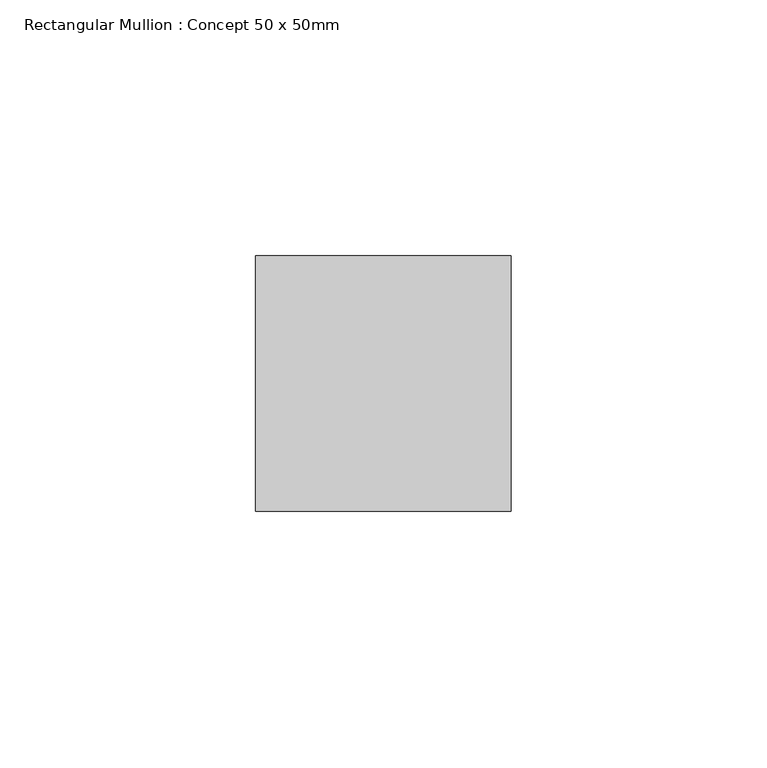
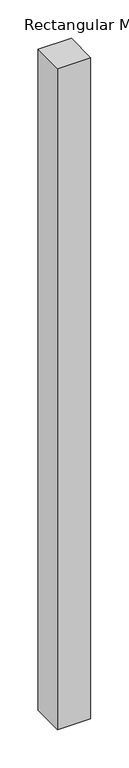
"""IFC4 building model written with IfcOpenShell, lengths in millimetres: member geometry, Rectangular Mullion : Concept 50 x 50mm."""

from ifc_helpers import new_model, si_unit, frame, origin, place, context, project, spatial, polyline, outline, extrude, source, transform, mapped, element, save


def rectangular_mullion_concept_50_x_50mm_fc021bda(model_context):
    return source(origin(), model_context, "Body", "SweptSolid", [
        extrude(outline(polyline([(25.0, 50.0), (25.0, 0.0), (-25.0, 0.0), (-25.0, 50.0), (25.0, 50.0)])), frame((0.0, 0.0, -1050.0), z_axis=(0.0, 0.0, 1.0), x_axis=(1.0, 0.0, 0.0)), (0.0, 0.0, 1.0), 1050.0),
    ])


if __name__ == "__main__":
    model = new_model("IFC4")
    model_context = context("Model", 3, world=origin())
    ifc_project = project(units=[si_unit("LENGTHUNIT", "METRE", prefix="MILLI")], contexts=[model_context])
    site = spatial("IfcSite", under=ifc_project)
    building = spatial("IfcBuilding", under=site)
    placement = place(None, origin())
    rectangular_mullion_concept_50_x_50mm_shape = rectangular_mullion_concept_50_x_50mm_fc021bda(model_context)
    element("IfcMember", 1, ObjectType="Rectangular Mullion : Concept 50 x 50mm", at=placement, inside=building, context=model_context, shape_type="MappedRepresentation", body=[
        mapped(rectangular_mullion_concept_50_x_50mm_shape, transform((0.0, 0.0, 0.0), x_axis=(1.0, 0.0, 0.0), y_axis=(0.0, 1.0, 0.0), z_axis=(0.0, 0.0, 1.0))),
    ])
    save(model, "model.ifc")
